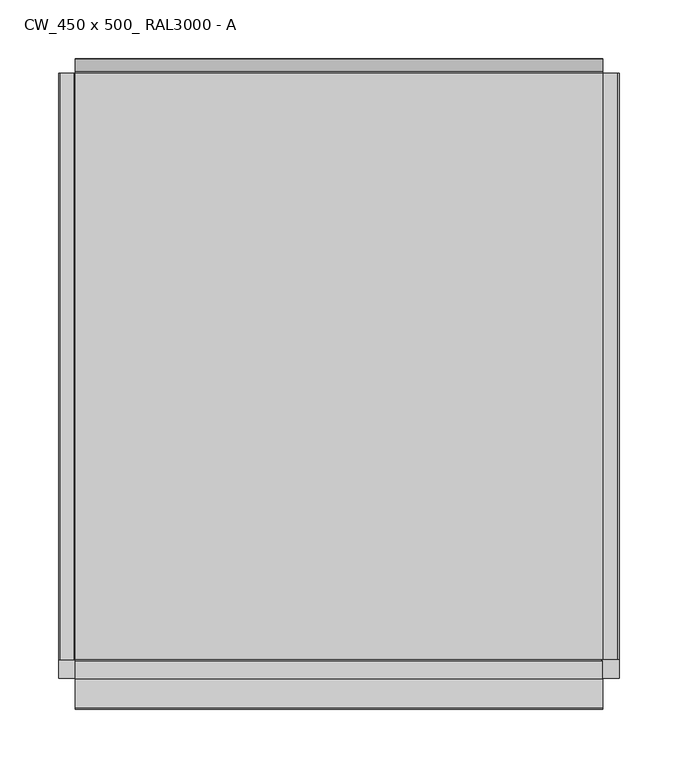
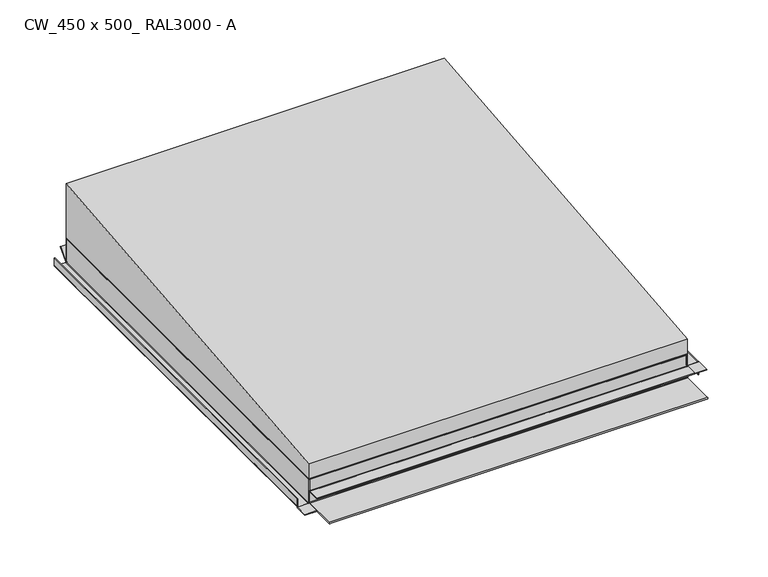
"""IFC4 building model written with IfcOpenShell, lengths in millimetres: proxy geometry, CW_450 x 500_ RAL3000 - A."""

from ifc_helpers import new_model, si_unit, frame, origin, origin_with_axes, place, context, project, spatial, polyline, circle_curve, ellipse_curve, outline, extrude, faceted_brep, source, transform, mapped, element, save
from ifc_brep_helpers import plane_surface, cylinder_surface, revolved_surface, advanced_brep


def cw_450_x_500_ral3000_a_e7ace9d3(model_context):
    return source(origin(), model_context, "Body", "SolidModel", [
        advanced_brep(
        [(-239.0, -250.0, 1.3), (-237.7, -250.0, 0.0), (-225.5, -250.0, 0.0), (-224.2, -250.0, 1.3), (-224.2, -250.0, 30.0), (-225.0, -250.0, 30.0), (-225.0, -250.0, 1.3), (-225.5, -250.0, 0.8), (-237.7, -250.0, 0.8), (-238.2, -250.0, 1.3), (-238.2, -250.0, 11.0), (-239.0, -250.0, 11.0), (-225.5, 250.0, 0.0), (-237.7, 250.0, 0.0), (-239.0, 250.0, 1.3), (-239.0, 250.0, 11.0), (-238.2, 250.0, 11.0), (-238.2, 250.0, 1.3), (-237.7, 250.0, 0.8), (-225.5, 250.0, 0.8), (-225.0, 250.0, 1.3), (-225.0, 250.0, 0.1), (-224.2, 249.2, 1.3), (-224.2, 249.2, 30.0), (-225.0, 249.2, 30.0), (-225.0, 249.2, 1.3)],
        [
            (0, 1, circle_curve(frame((-237.7, -250.0, 1.3), z_axis=(0.0, -1.0, 0.0), x_axis=(1.0, 0.0, 0.0)), 1.3)),
            (1, 2),
            (2, 3, circle_curve(frame((-225.5, -250.0, 1.3), z_axis=(0.0, -1.0, 0.0), x_axis=(1.0, 0.0, 0.0)), 1.3)),
            (3, 4),
            (4, 5),
            (5, 6),
            (6, 7, circle_curve(frame((-225.5, -250.0, 1.3), z_axis=(0.0, 1.0, 0.0), x_axis=(1.0, 0.0, 0.0)), 0.5)),
            (7, 8),
            (8, 9, circle_curve(frame((-237.7, -250.0, 1.3), z_axis=(0.0, 1.0, 0.0), x_axis=(1.0, 0.0, 0.0)), 0.5)),
            (9, 10),
            (10, 11),
            (11, 0),
            (12, 13),
            (13, 14, circle_curve(frame((-237.7, 250.0, 1.3), z_axis=(0.0, 1.0, 0.0), x_axis=(1.0, 0.0, 0.0)), 1.3)),
            (14, 15),
            (15, 16),
            (16, 17),
            (17, 18, circle_curve(frame((-237.7, 250.0, 1.3), z_axis=(0.0, -1.0, 0.0), x_axis=(1.0, 0.0, 0.0)), 0.5)),
            (18, 19),
            (19, 20, circle_curve(frame((-225.5, 250.0, 1.3), z_axis=(0.0, -1.0, 0.0), x_axis=(1.0, 0.0, 0.0)), 0.5)),
            (20, 21),
            (21, 12, circle_curve(frame((-225.5, 250.0, 1.3), z_axis=(0.0, 1.0, 0.0), x_axis=(1.0, 0.0, 0.0)), 1.3)),
            (1, 13),
            (12, 2),
            (21, 22, ellipse_curve(frame((-225.5, 250.5, 1.3), z_axis=(-0.7071067811865505, -0.7071067811865446, 0.0), x_axis=(0.7071067811865446, -0.7071067811865505, 0.0)), 1.8384776, 1.3)),
            (22, 3),
            (22, 23),
            (23, 4),
            (5, 24),
            (24, 25),
            (25, 6),
            (25, 20),
            (19, 7),
            (18, 8),
            (17, 9),
            (16, 10),
            (15, 11),
            (14, 0),
            (23, 24),
            (25, 21, circle_curve(frame((-225.0, 250.5, 1.3), z_axis=(1.0, 0.0, 0.0), x_axis=(0.0, 1.0, 0.0)), 1.3)),
            (25, 22),
        ],
        [
            plane_surface(frame((-236.4, -250.0, 1.3), z_axis=(0.0, -1.0, 0.0), x_axis=(0.0, 0.0, -1.0))),
            plane_surface(frame((-236.4, 250.0, 1.3), z_axis=(0.0, 1.0, 0.0), x_axis=(0.0, 0.0, 1.0))),
            plane_surface(frame((-225.5, -250.0, 0.0), z_axis=(0.0, 0.0, -1.0), x_axis=(0.0, 1.0, 0.0))),
            cylinder_surface(frame((-225.5, 250.0, 1.3), z_axis=(0.0, -1.0, 0.0), x_axis=(1.0, 0.0, 0.0)), 1.3),
            plane_surface(frame((-224.2, -250.0, 30.0), z_axis=(1.0, 0.0, 0.0), x_axis=(0.0, 1.0, 0.0))),
            plane_surface(frame((-225.0, -250.0, 1.3), z_axis=(-1.0, 0.0, 0.0), x_axis=(0.0, 1.0, 0.0))),
            revolved_surface(polyline([(-225.0, 250.0, 1.3), (-225.0, -250.0, 1.3)]), (-225.5, 250.0, 1.3), (0.0, 1.0, 0.0)),
            plane_surface(frame((-237.7, -250.0, 0.8), z_axis=(0.0, 0.0, 1.0), x_axis=(0.0, 1.0, 0.0))),
            revolved_surface(polyline([(-237.2, 250.0, 1.3), (-237.2, -250.0, 1.3)]), (-237.7, 250.0, 1.3), (0.0, 1.0, 0.0)),
            plane_surface(frame((-238.2, -250.0, 11.0), z_axis=(1.0, 0.0, 0.0), x_axis=(0.0, 1.0, 0.0))),
            plane_surface(frame((-239.0, -250.0, 11.0), z_axis=(0.0, 0.0, 1.0), x_axis=(0.0, 1.0, 0.0))),
            plane_surface(frame((-239.0, -250.0, 1.3), z_axis=(-1.0, 0.0, 0.0), x_axis=(0.0, 1.0, 0.0))),
            cylinder_surface(frame((-237.7, 250.0, 1.3), z_axis=(0.0, -1.0, 0.0), x_axis=(1.0, 0.0, 0.0)), 1.3),
            plane_surface(frame((-225.0, -250.0, 30.0), z_axis=(0.0, 0.0, 1.0), x_axis=(0.0, 1.0, 0.0))),
            plane_surface(frame((-225.0, 251.0, 1.3), z_axis=(1.0, 0.0, 0.0), x_axis=(0.0, 0.0, 1.0))),
            revolved_surface(polyline([(-226.79999997801957, 251.8, 1.3), (-224.2, 251.8, 1.3)]), (225.0, 250.5, 1.3), (-1.0, 0.0, 0.0)),
            plane_surface(frame((-225.0, 249.2, 1.3), z_axis=(0.0, 1.0, 0.0), x_axis=(1.0, 0.0, 0.0))),
        ],
        [
            (0, [[1, 2, 3, 4, 5, 6, 7, 8, 9, 10, 11, 12]]),
            (1, [[13, 14, 15, 16, 17, 18, 19, 20, 21, 22]]),
            (2, [[-2, 23, -13, 24]]),
            (3, [[-3, -24, -22, 25, 26]]),
            (4, [[-4, -26, 27, 28]]),
            (5, [[-6, 29, 30, 31]]),
            (6, [[-7, -31, 32, -20, 33]]),
            (7, [[-8, -33, -19, 34]]),
            (8, [[-9, -34, -18, 35]]),
            (9, [[-10, -35, -17, 36]]),
            (10, [[-11, -36, -16, 37]]),
            (11, [[-12, -37, -15, 38]]),
            (12, [[-1, -38, -14, -23]]),
            (13, [[-5, -28, 39, -29]]),
            (14, [[40, -21, -32]]),
            (15, [[-40, 41, -25]]),
            (16, [[-41, -30, -39, -27]]),
        ],
    ),
        extrude(outline(polyline([(-239.0, -266.0), (-239.0, -250.0), (-224.2, -250.0), (-224.2, -266.0), (-239.0, -266.0)])), origin_with_axes(), (0.0, 0.0, 1.0), 0.8),
        advanced_brep(
        [(225.5, -250.0, 15.56875), (237.7, -250.0, 15.56875), (238.2, -250.0, 15.06875), (238.2, -250.0, 0.0), (239.0, -250.0, 0.0), (239.0, -250.0, 15.06875), (237.7, -250.0, 16.36875), (225.5, -250.0, 16.36875), (225.0, -250.0, 16.86875), (225.0, -250.0, 15.66875), (225.0, 250.0, 16.86875), (225.5, 250.0, 16.36875), (237.7, 250.0, 16.36875), (239.0, 250.0, 15.06875), (239.0, 250.0, 0.0), (238.2, 250.0, 0.0), (238.2, 250.0, 15.06875), (237.7, 250.0, 15.56875), (225.5, 250.0, 15.56875), (225.0, 250.0, 15.66875), (224.2, 249.2, 30.0), (224.2, 249.2, 16.86875), (224.2, -249.2, 16.86875), (224.2, -249.2, 30.0), (225.0, -249.2, 15.66875), (225.0, 249.2, 15.66875), (225.0, 249.2, 16.86875), (225.0, -249.2, 16.86875), (225.0, 249.2, 30.0), (225.0, -249.2, 30.0)],
        [
            (0, 1),
            (1, 2, circle_curve(frame((237.7, -250.0, 15.06875), z_axis=(0.0, 1.0, 0.0), x_axis=(-1.0, 0.0, 0.0)), 0.5)),
            (2, 3),
            (3, 4),
            (4, 5),
            (5, 6, circle_curve(frame((237.7, -250.0, 15.06875), z_axis=(0.0, -1.0, 0.0), x_axis=(-1.0, 0.0, 0.0)), 1.3)),
            (6, 7),
            (7, 8, circle_curve(frame((225.5, -250.0, 16.86875), z_axis=(0.0, 1.0, 0.0), x_axis=(-1.0, 0.0, 0.0)), 0.5)),
            (8, 9),
            (9, 0, circle_curve(frame((225.5, -250.0, 16.86875), z_axis=(0.0, -1.0, 0.0), x_axis=(-1.0, 0.0, 0.0)), 1.3)),
            (10, 11, circle_curve(frame((225.5, 250.0, 16.86875), z_axis=(0.0, -1.0, 0.0), x_axis=(-1.0, 0.0, 0.0)), 0.5)),
            (11, 12),
            (12, 13, circle_curve(frame((237.7, 250.0, 15.06875), z_axis=(0.0, 1.0, 0.0), x_axis=(-1.0, 0.0, 0.0)), 1.3)),
            (13, 14),
            (14, 15),
            (15, 16),
            (16, 17, circle_curve(frame((237.7, 250.0, 15.06875), z_axis=(0.0, -1.0, 0.0), x_axis=(-1.0, 0.0, 0.0)), 0.5)),
            (17, 18),
            (18, 19, circle_curve(frame((225.5, 250.0, 16.86875), z_axis=(0.0, 1.0, 0.0), x_axis=(-1.0, 0.0, 0.0)), 1.3)),
            (19, 10),
            (20, 21),
            (21, 22),
            (22, 23),
            (23, 20),
            (18, 0),
            (9, 24),
            (24, 22, circle_curve(frame((225.5, -249.2, 16.86875), z_axis=(0.0, 1.0, 0.0), x_axis=(-1.0, 0.0, 0.0)), 1.3)),
            (21, 25, circle_curve(frame((225.5, 249.2, 16.86875), z_axis=(0.0, -1.0, 0.0), x_axis=(-1.0, 0.0, 0.0)), 1.3)),
            (25, 19),
            (17, 1),
            (16, 2),
            (15, 3),
            (14, 4),
            (13, 5),
            (12, 6),
            (11, 7),
            (10, 26),
            (26, 27),
            (27, 8),
            (26, 28),
            (28, 29),
            (29, 27),
            (28, 20),
            (23, 29),
            (25, 26),
            (27, 24),
        ],
        [
            plane_surface(frame((224.2, -250.0, 16.86875), z_axis=(0.0, -1.0, 0.0), x_axis=(0.0, 0.0, 1.0))),
            plane_surface(frame((224.2, 250.0, 16.86875), z_axis=(0.0, 1.0, 0.0), x_axis=(0.0, 0.0, -1.0))),
            plane_surface(frame((224.2, -250.0, 16.86875), z_axis=(-1.0, 0.0, 0.0), x_axis=(0.0, 1.0, 0.0))),
            cylinder_surface(frame((225.5, 250.0, 16.86875), z_axis=(0.0, -1.0, 0.0), x_axis=(-1.0, 0.0, 0.0)), 1.3),
            plane_surface(frame((237.7, -250.0, 15.56875), z_axis=(0.0, 0.0, -1.0), x_axis=(0.0, 1.0, 0.0))),
            revolved_surface(polyline([(237.2, 250.0, 15.06875), (237.2, -250.0, 15.06875)]), (237.7, 250.0, 15.06875), (0.0, 1.0, 0.0)),
            plane_surface(frame((238.2, -250.0, 0.0), z_axis=(-1.0, 0.0, 0.0), x_axis=(0.0, 1.0, 0.0))),
            plane_surface(frame((239.0, -250.0, 0.0), z_axis=(0.0, 0.0, -1.0), x_axis=(0.0, 1.0, 0.0))),
            plane_surface(frame((239.0, -250.0, 15.06875), z_axis=(1.0, 0.0, 0.0), x_axis=(0.0, 1.0, 0.0))),
            cylinder_surface(frame((237.7, 250.0, 15.06875), z_axis=(0.0, -1.0, 0.0), x_axis=(-1.0, 0.0, 0.0)), 1.3),
            plane_surface(frame((225.5, -250.0, 16.36875), z_axis=(0.0, 0.0, 1.0), x_axis=(0.0, 1.0, 0.0))),
            revolved_surface(polyline([(225.0, 250.0, 16.86875), (225.0, -250.0, 16.86875)]), (225.5, 250.0, 16.86875), (0.0, 1.0, 0.0)),
            plane_surface(frame((225.0, -250.0, 30.0), z_axis=(1.0, 0.0, 0.0), x_axis=(0.0, 1.0, 0.0))),
            plane_surface(frame((224.2, -250.0, 30.0), z_axis=(0.0, 0.0, 1.0), x_axis=(0.0, 1.0, 0.0))),
            plane_surface(frame((225.0, 251.0, 1.3), z_axis=(-1.0, 0.0, 0.0), x_axis=(0.0, 0.0, -1.0))),
            plane_surface(frame((-225.0, 249.2, 1.3), z_axis=(0.0, 1.0, 0.0), x_axis=(1.0, 0.0, 0.0))),
            plane_surface(frame((225.0, -250.5, 0.0), z_axis=(-1.0, 0.0, 0.0), x_axis=(0.0, 1.0, 0.0))),
            plane_surface(frame((-225.0, -249.2, 30.0), z_axis=(0.0, -1.0, 0.0), x_axis=(1.0, 0.0, 0.0))),
        ],
        [
            (0, [[1, 2, 3, 4, 5, 6, 7, 8, 9, 10]]),
            (1, [[11, 12, 13, 14, 15, 16, 17, 18, 19, 20]]),
            (2, [[21, 22, 23, 24]]),
            (3, [[25, -10, 26, 27, -22, 28, 29, -19]]),
            (4, [[-1, -25, -18, 30]]),
            (5, [[-2, -30, -17, 31]]),
            (6, [[-3, -31, -16, 32]]),
            (7, [[-4, -32, -15, 33]]),
            (8, [[-5, -33, -14, 34]]),
            (9, [[-6, -34, -13, 35]]),
            (10, [[-7, -35, -12, 36]]),
            (11, [[-8, -36, -11, 37, 38, 39]]),
            (12, [[40, 41, 42, -38]]),
            (13, [[43, -24, 44, -41]]),
            (14, [[45, -37, -20, -29]]),
            (15, [[-45, -28, -21, -43, -40]]),
            (16, [[46, -26, -9, -39]]),
            (17, [[-46, -42, -44, -23, -27]]),
        ],
    ),
        advanced_brep(
        [(225.0, -251.0793372, 15.56875), (225.0, -251.55, 15.9), (225.0, -266.0, 15.9), (225.0, -266.0, 16.36875), (225.0, -250.6830955, 16.36875), (225.0, -250.2609991, 15.56875), (239.0, -266.0, 15.56875), (239.0, -266.0, 16.36875), (224.2, -266.0, 15.9), (224.2, -266.0, 15.56875), (224.2, -250.0, 15.56875), (224.2, -250.0, 16.36875), (225.0, -250.0, 16.36875), (239.0, -250.0, 16.36875), (239.0, -250.0, 15.56875), (225.0, -250.0, 15.56875), (224.2, -250.6830955, 16.36875), (224.2, -251.0793372, 15.56875), (224.2, -250.2609991, 15.56875), (224.2, -251.55, 15.9)],
        [
            (0, 1, circle_curve(frame((225.0, -251.55, 15.4), z_axis=(1.0, 0.0, 0.0), x_axis=(0.0, 1.0, 0.0)), 0.5)),
            (1, 2),
            (2, 3),
            (3, 4),
            (4, 5, circle_curve(frame((225.0, -251.55, 15.4), z_axis=(-1.0, 0.0, 0.0), x_axis=(0.0, 1.0, 0.0)), 1.3)),
            (5, 0),
            (6, 7),
            (7, 3),
            (2, 8),
            (8, 9),
            (9, 6),
            (10, 11),
            (11, 12),
            (12, 13),
            (13, 14),
            (14, 15),
            (15, 10),
            (7, 13),
            (11, 16),
            (16, 4),
            (9, 17),
            (17, 0),
            (5, 18),
            (18, 10),
            (14, 6),
            (8, 19),
            (19, 17, circle_curve(frame((224.2, -251.55, 15.4), z_axis=(-1.0, 0.0, 0.0), x_axis=(0.0, 1.0, 0.0)), 0.5)),
            (19, 1),
            (16, 18, circle_curve(frame((224.2, -251.55, 15.4), z_axis=(-1.0, 0.0, 0.0), x_axis=(0.0, 1.0, 0.0)), 1.3)),
        ],
        [
            plane_surface(frame((225.0, -250.5, 0.0), z_axis=(-1.0, 0.0, 0.0), x_axis=(0.0, 1.0, 0.0))),
            plane_surface(frame((224.2, -266.0, 15.56875), z_axis=(0.0, -1.0, 0.0), x_axis=(-1.0, 0.0, 0.0))),
            plane_surface(frame((224.2, -250.0, 15.56875), z_axis=(0.0, 1.0, 0.0), x_axis=(1.0, 0.0, 0.0))),
            plane_surface(frame((224.2, -266.0, 16.36875), z_axis=(0.0, 0.0, 1.0), x_axis=(0.0, 1.0, 0.0))),
            plane_surface(frame((239.0, -266.0, 15.56875), z_axis=(0.0, 0.0, -1.0), x_axis=(0.0, 1.0, 0.0))),
            plane_surface(frame((224.2, -266.0, 15.56875), z_axis=(-1.0, 0.0, -1.0019693408305913e-12), x_axis=(0.0, 1.0, 0.0))),
            plane_surface(frame((239.0, -266.0, 16.36875), z_axis=(1.0, 0.0, 0.0), x_axis=(0.0, 1.0, 0.0))),
            cylinder_surface(frame((225.0, -251.55, 15.4), z_axis=(1.0, 0.0, 0.0), x_axis=(0.0, 1.0, 0.0)), 0.5),
            plane_surface(frame((-225.0, -251.55, 15.9), z_axis=(0.0, 0.0, 1.0), x_axis=(1.0, 0.0, 0.0))),
            revolved_surface(polyline([(224.2, -250.25, 15.4), (225.0, -250.25, 15.4)]), (225.0, -251.55, 15.4), (-1.0, 0.0, 0.0)),
        ],
        [
            (0, [[1, 2, 3, 4, 5, 6]]),
            (1, [[7, 8, -3, 9, 10, 11]]),
            (2, [[12, 13, 14, 15, 16, 17]]),
            (3, [[18, -14, -13, 19, 20, -4, -8]]),
            (4, [[-11, 21, 22, -6, 23, 24, -17, -16, 25]]),
            (5, [[-10, 26, 27, -21]]),
            (6, [[-7, -25, -15, -18]]),
            (7, [[-1, -22, -27, 28]]),
            (8, [[-2, -28, -26, -9]]),
            (9, [[-5, -20, 29, -23]]),
            (5, [[-12, -24, -29, -19]]),
        ],
    ),
        advanced_brep(
        [(-225.0, -250.5, 0.0), (-225.0, -291.65, 0.0), (-225.0, -291.65, 1.7), (-225.0, -251.55, 1.7), (-225.0, -251.05, 2.2), (-225.0, -251.05, 15.4), (-225.0, -251.55, 15.9), (-225.0, -266.25, 15.9), (-225.0, -266.25, 16.7), (-225.0, -251.55, 16.7), (-225.0, -250.25, 15.4), (-225.0, -250.25, 2.2), (-225.0, -251.55, 0.9), (-225.0, -291.65, 0.9), (-225.0, -250.5, 0.8), (-225.0, -250.0, 1.3), (-225.0, -250.0, 30.0), (-225.0, -249.2, 30.0), (-225.0, -249.2, 1.3), (225.0, -250.5, 0.0), (225.0, -249.2, 1.3), (225.0, -249.2, 15.66875), (225.0, -249.2, 16.86875), (225.0, -249.2, 30.0), (225.0, -250.0, 30.0), (225.0, -250.0, 16.86875), (225.0, -250.0, 15.66875), (225.0, -250.0, 1.3), (225.0, -250.5, 0.8), (225.0, -291.65, 0.9), (225.0, -251.55, 0.9), (225.0, -250.25, 2.2), (225.0, -250.25, 15.4), (225.0, -250.2613292, 15.5701671), (225.0, -250.682858, 16.3684525), (225.0, -251.55, 16.7), (225.0, -266.25, 16.7), (225.0, -266.25, 15.9), (225.0, -266.0, 15.9), (225.0, -251.55, 15.9), (225.0, -251.0793351, 15.5686233), (225.0, -251.05, 15.4), (225.0, -251.05, 2.2), (225.0, -251.55, 1.7), (225.0, -291.65, 1.7), (225.0, -291.65, 0.0), (224.2, -249.2, 30.0)],
        [
            (0, 1),
            (1, 2, circle_curve(frame((-225.0, -291.65, 0.85), z_axis=(-1.0, 0.0, 0.0), x_axis=(0.0, 1.0, 0.0)), 0.85)),
            (2, 3),
            (3, 4, circle_curve(frame((-225.0, -251.55, 2.2), z_axis=(1.0, 0.0, 0.0), x_axis=(0.0, 1.0, 0.0)), 0.5)),
            (4, 5),
            (5, 6, circle_curve(frame((-225.0, -251.55, 15.4), z_axis=(1.0, 0.0, 0.0), x_axis=(0.0, 1.0, 0.0)), 0.5)),
            (6, 7),
            (7, 8),
            (8, 9),
            (9, 10, circle_curve(frame((-225.0, -251.55, 15.4), z_axis=(-1.0, 0.0, 0.0), x_axis=(0.0, 1.0, 0.0)), 1.3)),
            (10, 11),
            (11, 12, circle_curve(frame((-225.0, -251.55, 2.2), z_axis=(-1.0, 0.0, 0.0), x_axis=(0.0, 1.0, 0.0)), 1.3)),
            (12, 13),
            (13, 14),
            (14, 15, circle_curve(frame((-225.0, -250.5, 1.3), z_axis=(1.0, 0.0, 0.0), x_axis=(0.0, 1.0, 0.0)), 0.5)),
            (15, 16),
            (16, 17),
            (17, 18),
            (18, 0, circle_curve(frame((-225.0, -250.5, 1.3), z_axis=(-1.0, 0.0, 0.0), x_axis=(0.0, 1.0, 0.0)), 1.3)),
            (19, 20, circle_curve(frame((225.0, -250.5, 1.3), z_axis=(1.0, 0.0, 0.0), x_axis=(0.0, 1.0, 0.0)), 1.3)),
            (20, 21),
            (21, 22),
            (22, 23),
            (23, 24),
            (24, 25),
            (25, 26),
            (26, 27),
            (27, 28, circle_curve(frame((225.0, -250.5, 1.3), z_axis=(-1.0, 0.0, 0.0), x_axis=(0.0, 1.0, 0.0)), 0.5)),
            (28, 29),
            (29, 30),
            (30, 31, circle_curve(frame((225.0, -251.55, 2.2), z_axis=(1.0, 0.0, 0.0), x_axis=(0.0, 1.0, 0.0)), 1.3)),
            (31, 32),
            (32, 33, circle_curve(frame((225.0, -251.55, 15.4), z_axis=(1.0, 0.0, 0.0), x_axis=(0.0, 1.0, 0.0)), 1.3)),
            (33, 34, circle_curve(frame((225.0, -251.55, 15.4), z_axis=(1.0, 0.0, 0.0), x_axis=(0.0, 1.0, 0.0)), 1.2998574)),
            (34, 35, circle_curve(frame((225.0, -251.55, 15.4), z_axis=(1.0, 0.0, 0.0), x_axis=(0.0, 1.0, 0.0)), 1.2999367)),
            (35, 36),
            (36, 37),
            (37, 38),
            (38, 39),
            (39, 40, circle_curve(frame((225.0, -251.55, 15.4), z_axis=(-1.0, 0.0, 0.0), x_axis=(0.0, 1.0, 0.0)), 0.5)),
            (40, 41, circle_curve(frame((225.0, -251.55, 15.4), z_axis=(-1.0, 0.0, 0.0), x_axis=(0.0, 1.0, 0.0)), 0.4999593)),
            (41, 42),
            (42, 43, circle_curve(frame((225.0, -251.55, 2.2), z_axis=(-1.0, 0.0, 0.0), x_axis=(0.0, 1.0, 0.0)), 0.5)),
            (43, 44),
            (44, 45, circle_curve(frame((225.0, -291.65, 0.85), z_axis=(1.0, 0.0, 0.0), x_axis=(0.0, 1.0, 0.0)), 0.85)),
            (45, 19),
            (17, 46),
            (46, 23),
            (20, 18),
            (19, 0),
            (45, 1),
            (44, 2),
            (43, 3),
            (42, 4),
            (41, 5),
            (39, 6),
            (37, 7),
            (36, 8),
            (35, 9),
            (32, 10),
            (31, 11),
            (30, 12),
            (29, 13),
            (28, 14),
            (27, 15),
            (24, 16),
        ],
        [
            plane_surface(frame((-225.0, -250.5, 0.0), z_axis=(-1.0, 0.0, 0.0), x_axis=(0.0, -1.0, 0.0))),
            plane_surface(frame((225.0, -250.5, 0.0), z_axis=(1.0, 0.0, 0.0), x_axis=(0.0, 1.0, 0.0))),
            plane_surface(frame((-225.0, -249.2, 30.0), z_axis=(0.0, 1.0, 0.0), x_axis=(1.0, 0.0, 0.0))),
            cylinder_surface(frame((225.0, -250.5, 1.3), z_axis=(-1.0, 0.0, 0.0), x_axis=(0.0, 1.0, 0.0)), 1.3),
            plane_surface(frame((-225.0, -250.5, 0.0), z_axis=(0.0, 0.0, -1.0), x_axis=(1.0, 0.0, 0.0))),
            cylinder_surface(frame((225.0, -291.65, 0.85), z_axis=(-1.0, 0.0, 0.0), x_axis=(0.0, 1.0, 0.0)), 0.85),
            plane_surface(frame((-225.0, -291.65, 1.7), z_axis=(0.0, 0.0, 1.0), x_axis=(1.0, 0.0, 0.0))),
            revolved_surface(polyline([(225.0, -251.05, 2.2), (-225.0, -251.05, 2.2)]), (225.0, -251.55, 2.2), (1.0, 0.0, 0.0)),
            plane_surface(frame((-225.0, -251.05, 2.2), z_axis=(0.0, -1.0, 0.0), x_axis=(1.0, 0.0, 0.0))),
            revolved_surface(polyline([(225.0, -251.05, 15.4), (-225.0, -251.05, 15.4)]), (225.0, -251.55, 15.4), (1.0, 0.0, 0.0)),
            plane_surface(frame((-225.0, -251.55, 15.9), z_axis=(0.0, 0.0, -1.0), x_axis=(1.0, 0.0, 0.0))),
            plane_surface(frame((-225.0, -266.25, 15.9), z_axis=(0.0, -1.0, 0.0), x_axis=(1.0, 0.0, 0.0))),
            plane_surface(frame((-225.0, -266.25, 16.7), z_axis=(0.0, 0.0, 1.0), x_axis=(1.0, 0.0, 0.0))),
            cylinder_surface(frame((225.0, -251.55, 15.4), z_axis=(-1.0, 0.0, 0.0), x_axis=(0.0, 1.0, 0.0)), 1.3),
            plane_surface(frame((-225.0, -250.25, 15.4), z_axis=(0.0, 1.0, 0.0), x_axis=(1.0, 0.0, 0.0))),
            cylinder_surface(frame((225.0, -251.55, 2.2), z_axis=(-1.0, 0.0, 0.0), x_axis=(0.0, 1.0, 0.0)), 1.3),
            plane_surface(frame((-225.0, -251.55, 0.9), z_axis=(0.0, 0.0, -1.0), x_axis=(1.0, 0.0, 0.0))),
            plane_surface(frame((-225.0, -291.65, 0.9), z_axis=(0.0, 0.0024301264818050315, 0.9999970472382819), x_axis=(1.0, 0.0, 0.0))),
            revolved_surface(polyline([(225.0, -250.0, 1.3), (-225.0, -250.0, 1.3)]), (225.0, -250.5, 1.3), (1.0, 0.0, 0.0)),
            plane_surface(frame((-225.0, -250.0, 1.3), z_axis=(0.0, -1.0, 0.0), x_axis=(1.0, 0.0, 0.0))),
            plane_surface(frame((-225.0, -250.0, 30.0), z_axis=(0.0, 0.0, 1.0), x_axis=(1.0, 0.0, 0.0))),
        ],
        [
            (0, [[1, 2, 3, 4, 5, 6, 7, 8, 9, 10, 11, 12, 13, 14, 15, 16, 17, 18, 19]]),
            (1, [[20, 21, 22, 23, 24, 25, 26, 27, 28, 29, 30, 31, 32, 33, 34, 35, 36, 37, 38, 39, 40, 41, 42, 43, 44, 45, 46]]),
            (2, [[-18, 47, 48, -23, -22, -21, 49]]),
            (3, [[-19, -49, -20, 50]]),
            (4, [[-1, -50, -46, 51]]),
            (5, [[-2, -51, -45, 52]]),
            (6, [[-3, -52, -44, 53]]),
            (7, [[-4, -53, -43, 54]]),
            (8, [[-5, -54, -42, 55]]),
            (9, [[-6, -55, -41, -40, 56]]),
            (10, [[-7, -56, -39, -38, 57]]),
            (11, [[-8, -57, -37, 58]]),
            (12, [[-9, -58, -36, 59]]),
            (13, [[-10, -59, -35, -34, -33, 60]]),
            (14, [[-11, -60, -32, 61]]),
            (15, [[-12, -61, -31, 62]]),
            (16, [[-13, -62, -30, 63]]),
            (17, [[-14, -63, -29, 64]]),
            (18, [[-15, -64, -28, 65]]),
            (19, [[-16, -65, -27, -26, -25, 66]]),
            (20, [[-17, -66, -24, -48, -47]]),
        ],
    ),
        advanced_brep(
        [(-225.0, 250.0, 1.3), (-225.0, 250.8830222, 0.9786062), (-225.0, 261.6344557, 13.7916657), (-225.0, 262.2472913, 13.2774356), (-225.0, 251.4958578, 0.4643761), (-225.0, 250.0002938, 0.0999209), (-225.0, 249.2, 1.3), (-225.0, 249.2, 30.0), (-225.0, 250.0, 30.0), (225.0, 250.0, 1.3), (225.0, 250.0, 15.66875), (225.0, 250.0, 16.86875), (225.0, 250.0, 30.0), (225.0, 249.2, 30.0), (225.0, 249.2, 16.86875), (225.0, 249.2, 15.66875), (225.0, 249.2, 1.3), (225.0, 251.4958578, 0.4643761), (225.0, 262.2472913, 13.2774356), (225.0, 261.6344557, 13.7916657), (225.0, 250.8830222, 0.9786062), (224.2, 249.2, 30.0), (-224.2, 249.2, 30.0)],
        [
            (0, 1, circle_curve(frame((-225.0, 250.5, 1.3), z_axis=(1.0, 0.0, 0.0), x_axis=(0.0, 1.0, 0.0)), 0.5)),
            (1, 2),
            (2, 3),
            (3, 4),
            (4, 5, circle_curve(frame((-225.0, 250.5, 1.3), z_axis=(-1.0, 0.0, 0.0), x_axis=(0.0, 1.0, 0.0)), 1.3)),
            (5, 6, circle_curve(frame((-225.0, 250.5, 1.3), z_axis=(-1.0, 0.0, 0.0), x_axis=(0.0, 1.0, 0.0)), 1.2999601)),
            (6, 7),
            (7, 8),
            (8, 0),
            (9, 10),
            (10, 11),
            (11, 12),
            (12, 13),
            (13, 14),
            (14, 15),
            (15, 16),
            (16, 17, circle_curve(frame((225.0, 250.5, 1.3), z_axis=(1.0, 0.0, 0.0), x_axis=(0.0, 1.0, 0.0)), 1.3)),
            (17, 18),
            (18, 19),
            (19, 20),
            (20, 9, circle_curve(frame((225.0, 250.5, 1.3), z_axis=(-1.0, 0.0, 0.0), x_axis=(0.0, 1.0, 0.0)), 0.5)),
            (8, 12),
            (9, 0),
            (20, 1),
            (19, 2),
            (18, 3),
            (17, 4),
            (16, 6),
            (13, 21),
            (21, 22),
            (22, 7),
        ],
        [
            plane_surface(frame((-225.0, 251.0, 1.3), z_axis=(-1.0, 0.0, 0.0), x_axis=(0.0, 0.0, 1.0))),
            plane_surface(frame((225.0, 251.0, 1.3), z_axis=(1.0, 0.0, 0.0), x_axis=(0.0, 0.0, -1.0))),
            plane_surface(frame((-225.0, 250.0, 30.0), z_axis=(0.0, 1.0, 0.0), x_axis=(1.0, 0.0, 0.0))),
            revolved_surface(polyline([(225.0, 251.0, 1.3), (-225.0, 251.0, 1.3)]), (225.0, 250.5, 1.3), (1.0, 0.0, 0.0)),
            plane_surface(frame((-225.0, 250.8830222, 0.9786062), z_axis=(0.0, -0.7660444431199621, 0.6427876096853666), x_axis=(1.0, 0.0, 0.0))),
            plane_surface(frame((-225.0, 261.6344557, 13.7916657), z_axis=(0.0, 0.6427876096850358, 0.7660444431202397), x_axis=(1.0, 0.0, 0.0))),
            plane_surface(frame((-225.0, 262.2472913, 13.2774356), z_axis=(0.0, 0.7660444431199782, -0.6427876096853474), x_axis=(1.0, 0.0, 0.0))),
            cylinder_surface(frame((225.0, 250.5, 1.3), z_axis=(-1.0, 0.0, 0.0), x_axis=(0.0, 1.0, 0.0)), 1.3),
            plane_surface(frame((-225.0, 249.2, 1.3), z_axis=(0.0, -1.0, 0.0), x_axis=(1.0, 0.0, 0.0))),
            plane_surface(frame((-225.0, 249.2, 30.0), z_axis=(0.0, 0.0, 1.0), x_axis=(1.0, 0.0, 0.0))),
        ],
        [
            (0, [[1, 2, 3, 4, 5, 6, 7, 8, 9]]),
            (1, [[10, 11, 12, 13, 14, 15, 16, 17, 18, 19, 20, 21]]),
            (2, [[-9, 22, -12, -11, -10, 23]]),
            (3, [[-1, -23, -21, 24]]),
            (4, [[-2, -24, -20, 25]]),
            (5, [[-3, -25, -19, 26]]),
            (6, [[-4, -26, -18, 27]]),
            (7, [[-6, -5, -27, -17, 28]]),
            (8, [[-7, -28, -16, -15, -14, 29, 30, 31]]),
            (9, [[-8, -31, -30, -29, -13, -22]]),
        ],
    ),
        faceted_brep([(225.0, -250.0, 31.0), (225.0, 250.0, 31.0), (-225.0, 250.0, 31.0), (-225.0, -250.0, 31.0), (225.0, -250.0, 30.0), (-224.2, -250.0, 30.0), (-225.0, -250.0, 30.0), (-225.0, -249.2, 30.0), (-225.0, 249.2, 30.0), (-225.0, 250.0, 30.0), (225.0, 250.0, 30.0), (225.0, 249.2, 30.0), (225.0, -249.2, 30.0)], [[[0, 1, 2, 3]], [[4, 5, 6, 7, 8, 9, 10, 11, 12]], [[1, 0, 4, 12, 11, 10]], [[2, 1, 10, 9]], [[3, 2, 9, 8, 7, 6]], [[0, 3, 6, 5, 4]]]),
        extrude(outline(polyline([(-250.0, 30.8), (-250.0, 50.0), (250.0, 100.0), (250.0, 30.8), (-250.0, 30.8)])), frame((-225.0, 0.0, 0.0), z_axis=(1.0, 0.0, 0.0), x_axis=(0.0, 1.0, 0.0)), (0.0, 0.0, 1.0), 450.0),
    ])


if __name__ == "__main__":
    model = new_model("IFC4")
    model_context = context("Model", 3, world=origin())
    ifc_project = project(units=[si_unit("LENGTHUNIT", "METRE", prefix="MILLI")], contexts=[model_context])
    site = spatial("IfcSite", under=ifc_project)
    building = spatial("IfcBuilding", under=site)
    placement = place(None, origin())
    cw_450_x_500_ral3000_a_shape = cw_450_x_500_ral3000_a_e7ace9d3(model_context)
    element("IfcBuildingElementProxy", 1, Name="CW_450 x 500_ RAL3000 - A", ObjectType="CW_450 x 500_ RAL3000 - A", at=placement, inside=building, context=model_context, shape_type="MappedRepresentation", body=[
        mapped(cw_450_x_500_ral3000_a_shape, transform((0.0, 0.0, 0.0), x_axis=(1.0, 0.0, 0.0), y_axis=(0.0, 1.0, 0.0), z_axis=(0.0, 0.0, 1.0))),
    ])
    save(model, "model.ifc")
